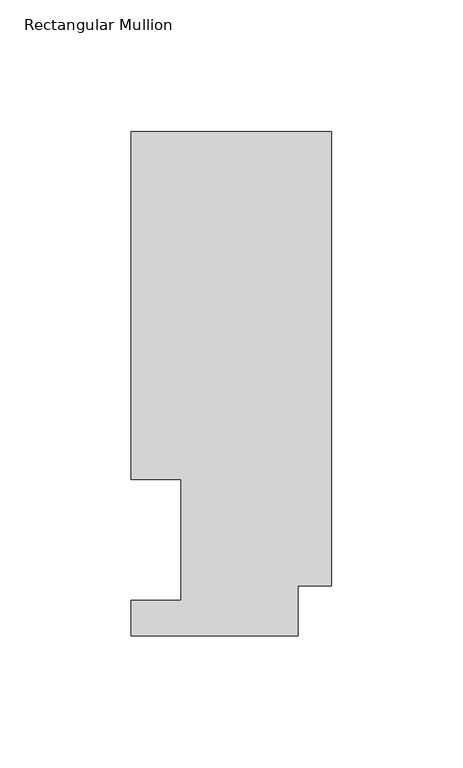
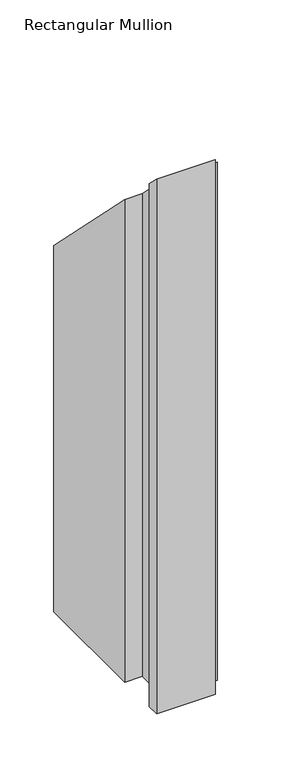
"""IFC4 building model written with IfcOpenShell, lengths in millimetres: member geometry, Rectangular Mullion."""

from ifc_helpers import new_model, si_unit, origin, place, context, project, spatial, faceted_brep, source, transform, mapped, element, save


def rectangular_mullion_4c6b713a(model_context):
    return source(origin(), model_context, "Body", "Brep", [
        faceted_brep([(0.0, 192.09385, -609.6), (0.0, 19.06905, -609.6), (-12.7, 19.06905, -609.6), (-12.7, 0.04445, -609.6), (-76.2, 0.04445, -609.6), (-76.2, 13.50645, -609.6), (-57.1627, 13.50645, -609.6), (-57.1627, 59.53125, -609.6), (-76.2, 59.53125, -609.6), (-76.2, 192.09385, -609.6), (-76.2, 192.09385, -192.09385), (0.0, 192.09385, -192.09385), (-76.2, 59.53125, -59.53125), (-57.1627, 59.53125, -59.53125), (-57.1627, 13.50645, -13.50645), (-76.2, 13.50645, -13.50645), (-76.2, 0.04445, -0.04445), (-12.7, 0.04445, -0.04445), (-12.7, 19.06905, -19.06905), (0.0, 19.06905, -19.06905)], [[[0, 1, 2, 3, 4, 5, 6, 7, 8, 9]], [[10, 11, 0, 9]], [[12, 10, 9, 8]], [[13, 12, 8, 7]], [[14, 13, 7, 6]], [[15, 14, 6, 5]], [[16, 15, 5, 4]], [[17, 16, 4, 3]], [[18, 17, 3, 2]], [[19, 18, 2, 1]], [[11, 19, 1, 0]], [[11, 10, 12, 13, 14, 15, 16, 17, 18, 19]]]),
    ])


if __name__ == "__main__":
    model = new_model("IFC4")
    model_context = context("Model", 3, world=origin())
    ifc_project = project(units=[si_unit("LENGTHUNIT", "METRE", prefix="MILLI")], contexts=[model_context])
    site = spatial("IfcSite", under=ifc_project)
    building = spatial("IfcBuilding", under=site)
    placement = place(None, origin())
    rectangular_mullion_shape = rectangular_mullion_4c6b713a(model_context)
    element("IfcMember", 1, ObjectType="Rectangular Mullion", at=placement, inside=building, context=model_context, shape_type="MappedRepresentation", body=[
        mapped(rectangular_mullion_shape, transform((0.0, 0.0, 0.0), x_axis=(1.0, 0.0, 0.0), y_axis=(0.0, 1.0, 0.0), z_axis=(0.0, 0.0, 1.0))),
    ])
    save(model, "model.ifc")
